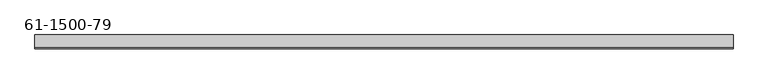
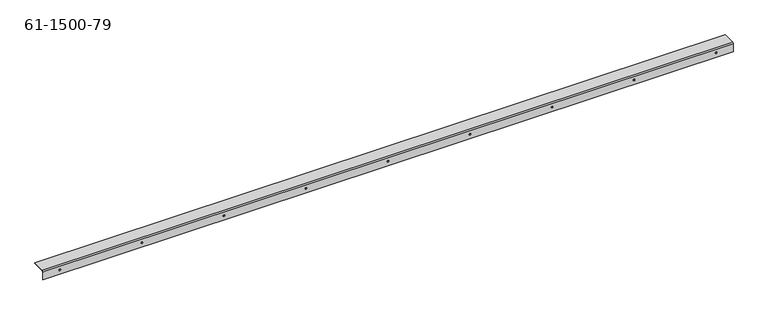
"""IFC4 building model written with IfcOpenShell, lengths in millimetres: proxy geometry, 61-1500-79."""

from ifc_helpers import new_model, si_unit, frame, origin, place, context, project, spatial, polyline, circle_curve, source, transform, mapped, element, save
from ifc_brep_helpers import plane_surface, cylinder_surface, revolved_surface, advanced_brep


def proxy_61_1500_79_8e201020(model_context):
    return source(origin(), model_context, "Body", "AdvancedBrep", [
        advanced_brep(
        [(-400.6984296, -5.3678682, -8.51916), (-400.6984296, -4.3620282, -8.51916), (-403.7464296, -4.3620282, -8.51916), (-403.7464296, -5.3678682, -8.51916), (-70.4984296, -5.3678682, -8.51916), (-70.4984296, -4.3620282, -8.51916), (-73.5464296, -4.3620282, -8.51916), (-73.5464296, -5.3678682, -8.51916), (920.1015704, -5.3678682, -8.51916), (920.1015704, -4.3620282, -8.51916), (917.0535704, -4.3620282, -8.51916), (917.0535704, -5.3678682, -8.51916), (589.9015704, -5.3678682, -8.51916), (589.9015704, -4.3620282, -8.51916), (586.8535704, -4.3620282, -8.51916), (586.8535704, -5.3678682, -8.51916), (259.7015704, -5.3678682, -8.51916), (259.7015704, -4.3620282, -8.51916), (256.6535704, -4.3620282, -8.51916), (256.6535704, -5.3678682, -8.51916), (424.8015704, -5.3678682, -8.51916), (424.8015704, -4.3620282, -8.51916), (421.7535704, -4.3620282, -8.51916), (421.7535704, -5.3678682, -8.51916), (755.0015704, -5.3678682, -8.51916), (755.0015704, -4.3620282, -8.51916), (751.9535704, -4.3620282, -8.51916), (751.9535704, -5.3678682, -8.51916), (94.6015704, -5.3678682, -8.51916), (94.6015704, -4.3620282, -8.51916), (91.5535704, -4.3620282, -8.51916), (91.5535704, -5.3678682, -8.51916), (-235.5984296, -5.3678682, -8.51916), (-235.5984296, -4.3620282, -8.51916), (-238.6464296, -4.3620282, -8.51916), (-238.6464296, -5.3678682, -8.51916), (-436.2685896, -5.3678682, -1.00584), (952.6237304, -5.3678682, -1.00584), (952.6237304, -3.3561882, 1.00584), (-436.2685896, -3.3561882, 1.00584), (952.6237304, -4.3620282, -1.00584), (-436.2685896, -4.3620282, -1.00584), (-436.2685896, -3.3561882, 0.0), (952.6237304, -3.3561882, 0.0), (952.6237304, 22.3536918, 1.00584), (-436.2685896, 22.3536918, 1.00584), (952.6237304, 22.3536918, 0.0), (-436.2685896, 22.3536918, 0.0), (952.6237304, -5.3678682, -18.04416), (952.6237304, -4.3620282, -18.04416), (-436.2685896, -5.3678682, -18.04416), (-436.2685896, -4.3620282, -18.04416)],
        [
            (0, 1),
            (1, 2, circle_curve(frame((-402.2224296, -4.3620282, -8.51916), z_axis=(0.0, 1.0, 0.0), x_axis=(1.0, 0.0, 0.0)), 1.524)),
            (2, 3),
            (3, 0, circle_curve(frame((-402.2224296, -5.3678682, -8.51916), z_axis=(0.0, -1.0, 0.0), x_axis=(1.0, 0.0, 0.0)), 1.524)),
            (4, 5),
            (5, 6, circle_curve(frame((-72.0224296, -4.3620282, -8.51916), z_axis=(0.0, 1.0, 0.0), x_axis=(1.0, 0.0, 0.0)), 1.524)),
            (6, 7),
            (7, 4, circle_curve(frame((-72.0224296, -5.3678682, -8.51916), z_axis=(0.0, -1.0, 0.0), x_axis=(1.0, 0.0, 0.0)), 1.524)),
            (8, 9),
            (9, 10, circle_curve(frame((918.5775704, -4.3620282, -8.51916), z_axis=(0.0, 1.0, 0.0), x_axis=(1.0, 0.0, 0.0)), 1.524)),
            (10, 11),
            (11, 8, circle_curve(frame((918.5775704, -5.3678682, -8.51916), z_axis=(0.0, -1.0, 0.0), x_axis=(1.0, 0.0, 0.0)), 1.524)),
            (12, 13),
            (13, 14, circle_curve(frame((588.3775704, -4.3620282, -8.51916), z_axis=(0.0, 1.0, 0.0), x_axis=(1.0, 0.0, 0.0)), 1.524)),
            (14, 15),
            (15, 12, circle_curve(frame((588.3775704, -5.3678682, -8.51916), z_axis=(0.0, -1.0, 0.0), x_axis=(1.0, 0.0, 0.0)), 1.524)),
            (16, 17),
            (17, 18, circle_curve(frame((258.1775704, -4.3620282, -8.51916), z_axis=(0.0, 1.0, 0.0), x_axis=(1.0, 0.0, 0.0)), 1.524)),
            (18, 19),
            (19, 16, circle_curve(frame((258.1775704, -5.3678682, -8.51916), z_axis=(0.0, -1.0, 0.0), x_axis=(1.0, 0.0, 0.0)), 1.524)),
            (20, 21),
            (21, 22, circle_curve(frame((423.2775704, -4.3620282, -8.51916), z_axis=(0.0, 1.0, 0.0), x_axis=(1.0, 0.0, 0.0)), 1.524)),
            (22, 23),
            (23, 20, circle_curve(frame((423.2775704, -5.3678682, -8.51916), z_axis=(0.0, -1.0, 0.0), x_axis=(1.0, 0.0, 0.0)), 1.524)),
            (24, 25),
            (25, 26, circle_curve(frame((753.4775704, -4.3620282, -8.51916), z_axis=(0.0, 1.0, 0.0), x_axis=(1.0, 0.0, 0.0)), 1.524)),
            (26, 27),
            (27, 24, circle_curve(frame((753.4775704, -5.3678682, -8.51916), z_axis=(0.0, -1.0, 0.0), x_axis=(1.0, 0.0, 0.0)), 1.524)),
            (28, 29),
            (29, 30, circle_curve(frame((93.0775704, -4.3620282, -8.51916), z_axis=(0.0, 1.0, 0.0), x_axis=(1.0, 0.0, 0.0)), 1.524)),
            (30, 31),
            (31, 28, circle_curve(frame((93.0775704, -5.3678682, -8.51916), z_axis=(0.0, -1.0, 0.0), x_axis=(1.0, 0.0, 0.0)), 1.524)),
            (32, 33),
            (33, 34, circle_curve(frame((-237.1224296, -4.3620282, -8.51916), z_axis=(0.0, 1.0, 0.0), x_axis=(1.0, 0.0, 0.0)), 1.524)),
            (34, 35),
            (35, 32, circle_curve(frame((-237.1224296, -5.3678682, -8.51916), z_axis=(0.0, -1.0, 0.0), x_axis=(1.0, 0.0, 0.0)), 1.524)),
            (32, 35, circle_curve(frame((-237.1224296, -5.3678682, -8.51916), z_axis=(0.0, -1.0, 0.0), x_axis=(1.0, 0.0, 0.0)), 1.524)),
            (34, 33, circle_curve(frame((-237.1224296, -4.3620282, -8.51916), z_axis=(0.0, 1.0, 0.0), x_axis=(1.0, 0.0, 0.0)), 1.524)),
            (28, 31, circle_curve(frame((93.0775704, -5.3678682, -8.51916), z_axis=(0.0, -1.0, 0.0), x_axis=(1.0, 0.0, 0.0)), 1.524)),
            (30, 29, circle_curve(frame((93.0775704, -4.3620282, -8.51916), z_axis=(0.0, 1.0, 0.0), x_axis=(1.0, 0.0, 0.0)), 1.524)),
            (24, 27, circle_curve(frame((753.4775704, -5.3678682, -8.51916), z_axis=(0.0, -1.0, 0.0), x_axis=(1.0, 0.0, 0.0)), 1.524)),
            (26, 25, circle_curve(frame((753.4775704, -4.3620282, -8.51916), z_axis=(0.0, 1.0, 0.0), x_axis=(1.0, 0.0, 0.0)), 1.524)),
            (20, 23, circle_curve(frame((423.2775704, -5.3678682, -8.51916), z_axis=(0.0, -1.0, 0.0), x_axis=(1.0, 0.0, 0.0)), 1.524)),
            (22, 21, circle_curve(frame((423.2775704, -4.3620282, -8.51916), z_axis=(0.0, 1.0, 0.0), x_axis=(1.0, 0.0, 0.0)), 1.524)),
            (16, 19, circle_curve(frame((258.1775704, -5.3678682, -8.51916), z_axis=(0.0, -1.0, 0.0), x_axis=(1.0, 0.0, 0.0)), 1.524)),
            (18, 17, circle_curve(frame((258.1775704, -4.3620282, -8.51916), z_axis=(0.0, 1.0, 0.0), x_axis=(1.0, 0.0, 0.0)), 1.524)),
            (12, 15, circle_curve(frame((588.3775704, -5.3678682, -8.51916), z_axis=(0.0, -1.0, 0.0), x_axis=(1.0, 0.0, 0.0)), 1.524)),
            (14, 13, circle_curve(frame((588.3775704, -4.3620282, -8.51916), z_axis=(0.0, 1.0, 0.0), x_axis=(1.0, 0.0, 0.0)), 1.524)),
            (8, 11, circle_curve(frame((918.5775704, -5.3678682, -8.51916), z_axis=(0.0, -1.0, 0.0), x_axis=(1.0, 0.0, 0.0)), 1.524)),
            (10, 9, circle_curve(frame((918.5775704, -4.3620282, -8.51916), z_axis=(0.0, 1.0, 0.0), x_axis=(1.0, 0.0, 0.0)), 1.524)),
            (4, 7, circle_curve(frame((-72.0224296, -5.3678682, -8.51916), z_axis=(0.0, -1.0, 0.0), x_axis=(1.0, 0.0, 0.0)), 1.524)),
            (6, 5, circle_curve(frame((-72.0224296, -4.3620282, -8.51916), z_axis=(0.0, 1.0, 0.0), x_axis=(1.0, 0.0, 0.0)), 1.524)),
            (0, 3, circle_curve(frame((-402.2224296, -5.3678682, -8.51916), z_axis=(0.0, -1.0, 0.0), x_axis=(1.0, 0.0, 0.0)), 1.524)),
            (2, 1, circle_curve(frame((-402.2224296, -4.3620282, -8.51916), z_axis=(0.0, 1.0, 0.0), x_axis=(1.0, 0.0, 0.0)), 1.524)),
            (36, 37),
            (37, 38, circle_curve(frame((952.6237304, -3.3561882, -1.00584), z_axis=(-1.0, 0.0, 0.0), x_axis=(0.0, 0.0, 1.0)), 2.01168)),
            (38, 39),
            (39, 36, circle_curve(frame((-436.2685896, -3.3561882, -1.00584), z_axis=(1.0, 0.0, 0.0), x_axis=(0.0, 0.0, 1.0)), 2.01168)),
            (40, 41),
            (41, 42, circle_curve(frame((-436.2685896, -3.3561882, -1.00584), z_axis=(-1.0, 0.0, 0.0), x_axis=(0.0, 0.0, 1.0)), 1.00584)),
            (42, 43),
            (43, 40, circle_curve(frame((952.6237304, -3.3561882, -1.00584), z_axis=(1.0, 0.0, 0.0), x_axis=(0.0, 0.0, 1.0)), 1.00584)),
            (38, 44),
            (44, 45),
            (45, 39),
            (44, 46),
            (46, 47),
            (47, 45),
            (42, 47),
            (46, 43),
            (37, 48),
            (48, 49),
            (49, 40),
            (36, 50),
            (50, 48),
            (41, 51),
            (51, 50),
            (51, 49),
        ],
        [
            revolved_surface(polyline([(-400.6984296, -4.362028200000001, -8.51916), (-400.6984296, -5.3678682, -8.51916)]), (-402.2224296, -13.8870282, -8.51916), (0.0, 1.0, 0.0)),
            revolved_surface(polyline([(-70.4984296, -4.362028200000001, -8.51916), (-70.4984296, -5.3678682, -8.51916)]), (-72.0224296, -13.8870282, -8.51916), (0.0, 1.0, 0.0)),
            revolved_surface(polyline([(920.1015704, -4.362028200000001, -8.51916), (920.1015704, -5.3678682, -8.51916)]), (918.5775704, -13.8870282, -8.51916), (0.0, 1.0, 0.0)),
            revolved_surface(polyline([(589.9015704, -4.362028200000001, -8.51916), (589.9015704, -5.3678682, -8.51916)]), (588.3775704, -13.8870282, -8.51916), (0.0, 1.0, 0.0)),
            revolved_surface(polyline([(259.7015704, -4.362028200000001, -8.51916), (259.7015704, -5.3678682, -8.51916)]), (258.1775704, -13.8870282, -8.51916), (0.0, 1.0, 0.0)),
            revolved_surface(polyline([(424.8015704, -4.362028200000001, -8.51916), (424.8015704, -5.3678682, -8.51916)]), (423.2775704, -13.8870282, -8.51916), (0.0, 1.0, 0.0)),
            revolved_surface(polyline([(755.0015704, -4.362028200000001, -8.51916), (755.0015704, -5.3678682, -8.51916)]), (753.4775704, -13.8870282, -8.51916), (0.0, 1.0, 0.0)),
            revolved_surface(polyline([(94.6015704, -4.362028200000001, -8.51916), (94.6015704, -5.3678682, -8.51916)]), (93.0775704, -13.8870282, -8.51916), (0.0, 1.0, 0.0)),
            revolved_surface(polyline([(-235.5984296, -4.362028200000001, -8.51916), (-235.5984296, -5.3678682, -8.51916)]), (-237.1224296, -13.8870282, -8.51916), (0.0, 1.0, 0.0)),
            cylinder_surface(frame((258.1775704, -3.3561882, -1.00584), z_axis=(1.0, 0.0, 0.0), x_axis=(0.0, 0.0, 1.0)), 2.01168),
            revolved_surface(polyline([(952.6237303999999, -3.3561882, 0.0), (-436.2685896, -3.3561882, 0.0)]), (258.1775704, -3.3561882, -1.00584), (1.0, 0.0, 0.0)),
            plane_surface(frame((258.1775704, 8.4929118, 1.00584), z_axis=(0.0, 0.0, 1.0), x_axis=(1.0, 0.0, 0.0))),
            plane_surface(frame((-436.2685896, 22.3536918, 0.0), z_axis=(0.0, 1.0, 0.0), x_axis=(0.0, 0.0, 1.0))),
            plane_surface(frame((258.1775704, 8.4929118, 0.0), z_axis=(0.0, 0.0, -1.0), x_axis=(1.0, 0.0, 0.0))),
            plane_surface(frame((952.6237304, -5.3678682, -18.04416), z_axis=(1.0, 0.0, 0.0), x_axis=(0.0, 0.0, -1.0))),
            plane_surface(frame((258.1775704, -5.3678682, -8.51916), z_axis=(0.0, -1.0, 0.0), x_axis=(0.0, 0.0, 1.0))),
            plane_surface(frame((-436.2685896, -5.3678682, 1.00584), z_axis=(-1.0, 0.0, 0.0), x_axis=(0.0, 0.0, 1.0))),
            plane_surface(frame((-436.2685896, -5.3678682, -18.04416), z_axis=(0.0, 0.0, -1.0), x_axis=(-1.0, 0.0, 0.0))),
            plane_surface(frame((258.1775704, -4.3620282, -8.51916), z_axis=(0.0, 1.0, 0.0), x_axis=(0.0, 0.0, 1.0))),
        ],
        [
            (0, [[1, 2, 3, 4]]),
            (1, [[5, 6, 7, 8]]),
            (2, [[9, 10, 11, 12]]),
            (3, [[13, 14, 15, 16]]),
            (4, [[17, 18, 19, 20]]),
            (5, [[21, 22, 23, 24]]),
            (6, [[25, 26, 27, 28]]),
            (7, [[29, 30, 31, 32]]),
            (8, [[33, 34, 35, 36]]),
            (8, [[-33, 37, -35, 38]]),
            (7, [[-29, 39, -31, 40]]),
            (6, [[-25, 41, -27, 42]]),
            (5, [[-21, 43, -23, 44]]),
            (4, [[-17, 45, -19, 46]]),
            (3, [[-13, 47, -15, 48]]),
            (2, [[-9, 49, -11, 50]]),
            (1, [[-5, 51, -7, 52]]),
            (0, [[-1, 53, -3, 54]]),
            (9, [[55, 56, 57, 58]]),
            (10, [[59, 60, 61, 62]]),
            (11, [[-57, 63, 64, 65]]),
            (12, [[-64, 66, 67, 68]]),
            (13, [[-61, 69, -67, 70]]),
            (14, [[71, 72, 73, -62, -70, -66, -63, -56]]),
            (15, [[-55, 74, 75, -71], [-37, -36], [-39, -32], [-41, -28], [-43, -24], [-45, -20], [-47, -16], [-49, -12], [-51, -8], [-53, -4]]),
            (16, [[76, 77, -74, -58, -65, -68, -69, -60]]),
            (17, [[78, -72, -75, -77]]),
            (18, [[-59, -73, -78, -76], [-38, -34], [-40, -30], [-42, -26], [-44, -22], [-46, -18], [-48, -14], [-50, -10], [-52, -6], [-54, -2]]),
        ],
    ),
    ])


if __name__ == "__main__":
    model = new_model("IFC4")
    model_context = context("Model", 3, world=origin())
    ifc_project = project(units=[si_unit("LENGTHUNIT", "METRE", prefix="MILLI")], contexts=[model_context])
    site = spatial("IfcSite", under=ifc_project)
    building = spatial("IfcBuilding", under=site)
    placement = place(None, origin())
    proxy_61_1500_79_shape = proxy_61_1500_79_8e201020(model_context)
    element("IfcBuildingElementProxy", 1, Name="61-1500-79", ObjectType="61-1500-79", at=placement, inside=building, context=model_context, shape_type="MappedRepresentation", body=[
        mapped(proxy_61_1500_79_shape, transform((0.0, 0.0, 0.0), x_axis=(1.0, 0.0, 0.0), y_axis=(0.0, 1.0, 0.0), z_axis=(0.0, 0.0, 1.0))),
    ])
    save(model, "model.ifc")
